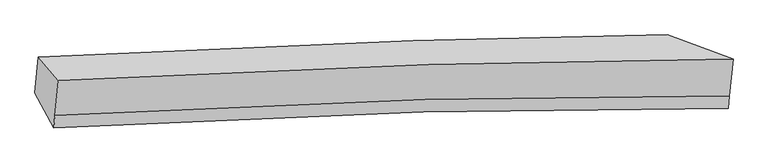
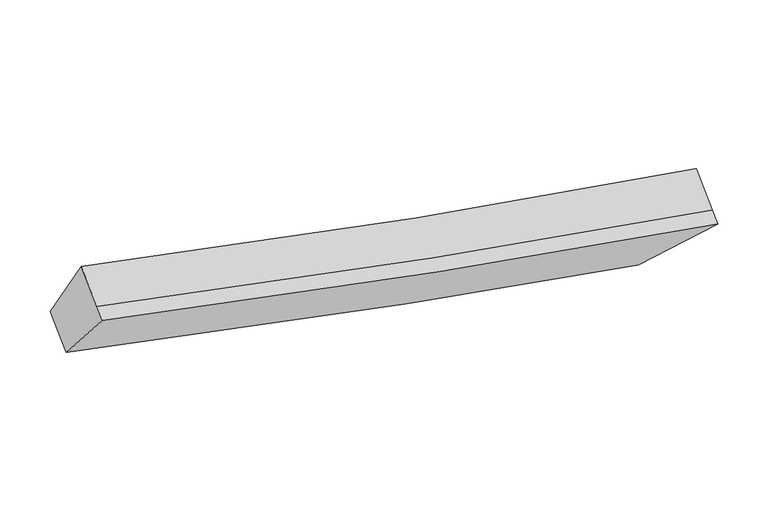
"""IFC4 building model written with IfcOpenShell, lengths in millimetres: proxy geometry."""

from ifc_helpers import new_model, si_unit, frame, origin, place, context, project, spatial, source, transform, mapped, element, save
from ifc_brep_helpers import plane_surface, spline_curve, spline_surface, advanced_brep


def generic_models_f45a90ea(model_context):
    return source(origin(), model_context, "Body", "AdvancedBrep", [
        advanced_brep(
        [(-3325.9579657, -1831.2785244, 3728.5335234), (-3111.5374767, -2085.7496046, 4361.7453653), (4150.0638627, -1856.6269424, 2879.6872294), (3439.4574136, -1593.5798147, 2303.4681288), (-3149.0400475, -2465.478392, 4116.3236782), (4111.0638553, -2251.5178845, 2624.4661231), (-3162.265921, -2599.3957424, 4029.7718466), (4097.8379818, -2385.4352349, 2537.9142916), (-3364.5126908, -2221.6608025, 3476.226402), (3399.6538492, -1996.607098, 2042.9884415)],
        [
            (0, 1),
            (1, 2, spline_curve(3, [(-3111.5374767, -2085.7496046, 4361.7453653), (-1851.740868183, -2010.011975802, 4032.156708254), (-525.28874139, -1952.643518217, 3730.190076763), (1923.61566636, -1884.087778306, 3247.92747727), (3017.697319171, -1865.082015593, 3055.87472986), (4150.0638627, -1856.6269424, 2879.6872294)], [4, 2, 4], [0.0, 13.380205980352342, 23.520684505160638])),
            (2, 3),
            (3, 0, spline_curve(3, [(3439.4574136, -1593.5798147, 2303.4681288), (2574.343435442, -1603.907646002, 2444.36685999), (1663.03625546, -1624.51011734, 2612.813750478), (-557.871203014, -1696.129103391, 3067.421266186), (-1901.702482912, -1754.759535281, 3373.996173531), (-3325.9579657, -1831.2785244, 3728.5335234)], [4, 2, 4], [0.0, 10.140478524808296, 23.520684505160638])),
            (1, 4),
            (4, 5, spline_curve(3, [(-3149.0400475, -2465.478392, 4116.3236782), (-1888.868772868, -2385.947116897, 3789.186884553), (-562.416645877, -2328.578659047, 3487.220253056), (1885.829146591, -2266.691662994, 3000.647592286), (2979.41165394, -2252.739951491, 2805.328372232), (4111.0638553, -2251.5178845, 2624.4661231)], [4, 2, 4], [0.0, 13.845115989143798, 24.33793662042197])),
            (5, 2),
            (4, 6),
            (6, 7, spline_curve(3, [(-3162.265921, -2599.3957424, 4029.7718466), (-1902.094646159, -2519.864467324, 3702.635052967), (-575.642519408, -2462.49600951, 3400.668421556), (1872.603273114, -2400.609013346, 2914.095760786), (2966.185780418, -2386.657301896, 2718.77654075), (4097.8379818, -2385.4352349, 2537.9142916)], [4, 2, 4], [0.0, 13.845143782369027, 24.337985477344127])),
            (7, 5),
            (6, 8),
            (8, 9, spline_curve(3, [(-3364.5126908, -2221.6608025, 3476.226402), (-1939.944742178, -2141.977970139, 3123.733868725), (-596.113462334, -2083.347538252, 2817.1589613), (1624.24472141, -2017.290182651, 2358.956920652), (2535.135621757, -2000.902712964, 2187.785841134), (3399.6538492, -1996.607098, 2042.9884415)], [4, 2, 4], [0.0, 13.3802199646615, 23.52070908778098])),
            (9, 7),
            (8, 0),
            (3, 9),
        ],
        [
            spline_surface(3, 3, [[(-3325.9579657, -1831.2785244, 3728.5335234), (-1901.702483028, -1754.759535431, 3373.996173468), (-557.871203179, -1696.129103435, 3067.421266033), (1663.036255585, -1624.510117307, 2612.813750594), (2574.343435501, -1603.907646066, 2444.366859844), (3439.4574136, -1593.5798147, 2303.4681288)], [(-3254.484469369, -1916.102217789, 3939.604137348), (-1885.048611345, -1839.843682214, 3593.383018352), (-547.01038252, -1781.6339083, 3288.344202914), (1749.896059118, -1711.036004357, 2824.518326127), (2722.128063402, -1690.965769202, 2648.202816578), (3676.326229965, -1681.262190595, 2495.541162343)], [(-3183.010973031, -2000.925911211, 4150.674751352), (-1868.394739655, -1924.927829031, 3812.76986329), (-536.149561842, -1867.13871316, 3509.267139877), (1836.755862669, -1797.561891402, 3036.222901741), (2869.912691308, -1778.023892353, 2852.038773282), (3913.195046335, -1768.944566505, 2687.614195857)], [(-3111.5374767, -2085.7496046, 4361.7453653), (-1851.740867972, -2010.011975813, 4032.156708174), (-525.288741182, -1952.643518025, 3730.190076757), (1923.615666202, -1884.087778451, 3247.927477274), (3017.697319209, -1865.08201549, 3055.874730016), (4150.0638627, -1856.6269424, 2879.6872294)]], [4, 4], [4, 2, 4], [0.0, 2.3340003477081437], [0.0, 13.380205980352342, 23.520684505160638]),
            spline_surface(3, 3, [[(-3111.5374767, -2085.7496046, 4361.7453653), (-1851.740867972, -2010.011975813, 4032.156708174), (-525.288741182, -1952.643518025, 3730.190076757), (1923.615666202, -1884.087778451, 3247.927477274), (3017.697319209, -1865.08201549, 3055.874730016), (4150.0638627, -1856.6269424, 2879.6872294)], [(-3124.038333625, -2212.325867097, 4279.938136263), (-1864.116836204, -2135.323689478, 3951.166766944), (-537.664709414, -2077.95523169, 3649.200135528), (1911.02015968, -2011.622406635, 3165.500848994), (3004.935430843, -1994.301327524, 2972.35927738), (4137.063860247, -1988.257256449, 2794.613527292)], [(-3136.539190575, -2338.902129503, 4198.130907237), (-1876.49280446, -2260.635403051, 3870.176825725), (-550.04067767, -2203.266945362, 3568.210194208), (1898.424653132, -2139.157034826, 3083.074220625), (2992.173542437, -2123.520639509, 2888.843824766), (4124.063857753, -2119.887570451, 2709.539825208)], [(-3149.0400475, -2465.478392, 4116.3236782), (-1888.868772692, -2385.947116716, 3789.186884495), (-562.416645902, -2328.578659027, 3487.220252978), (1885.829146609, -2266.691663009, 3000.647592345), (2979.411654071, -2252.739951543, 2805.32837213), (4111.0638553, -2251.5178845, 2624.4661231)]], [4, 4], [4, 2, 4], [0.0, 1.4837285148140915], [0.0, 13.845115989143798, 24.33793662042197]),
            spline_surface(3, 3, [[(-3149.0400475, -2465.478392, 4116.3236782), (-1888.868772692, -2385.947116716, 3789.186884495), (-562.416645902, -2328.578659027, 3487.220252978), (1885.829146609, -2266.691663009, 3000.647592345), (2979.411654071, -2252.739951543, 2805.32837213), (4111.0638553, -2251.5178845, 2624.4661231)], [(-3153.448672001, -2510.117508781, 4087.473067679), (-1893.277397193, -2430.586233497, 3760.336273974), (-566.825270403, -2373.217775808, 3458.369642457), (1881.420522108, -2311.33077979, 2971.796981824), (2975.00302957, -2297.379068324, 2776.477761609), (4106.655230799, -2296.157001281, 2595.615512579)], [(-3157.857296499, -2554.756625619, 4058.622457121), (-1897.686021691, -2475.225350335, 3731.485663416), (-571.2338949, -2417.856892646, 3429.519031999), (1877.011897611, -2355.969896627, 2942.946371366), (2970.594405073, -2342.018185161, 2747.627151151), (4102.246606301, -2340.796118119, 2566.764902121)], [(-3162.265921, -2599.3957424, 4029.7718466), (-1902.094646192, -2519.864467116, 3702.635052895), (-575.642519402, -2462.496009427, 3400.668421478), (1872.603273109, -2400.609013409, 2914.095760845), (2966.185780571, -2386.657301943, 2718.77654063), (4097.8379818, -2385.4352349, 2537.9142916)]], [4, 4], [4, 2, 4], [0.0, 0.5249343832020974], [0.0, 13.845143782369027, 24.337985477344127]),
            spline_surface(3, 3, [[(-3162.265921, -2599.3957424, 4029.7718466), (-1902.094646192, -2519.864467116, 3702.635052895), (-575.642519402, -2462.496009427, 3400.668421478), (1872.603273109, -2400.609013409, 2914.095760845), (2966.185780571, -2386.657301943, 2718.77654063), (4097.8379818, -2385.4352349, 2537.9142916)], [(-3229.681510938, -2473.484095771, 3845.256698384), (-1914.711344915, -2393.902301531, 3509.667991474), (-582.466167101, -2336.11318576, 3206.16526806), (1789.81708925, -2272.836069764, 2729.049480789), (2822.502394273, -2258.072438938, 2541.77964086), (3865.109937616, -2255.825855944, 2372.939008255)], [(-3297.097100862, -2347.572449129, 3660.741550216), (-1927.328043623, -2267.940135932, 3316.700930099), (-589.289814797, -2209.730362118, 3011.662114661), (1707.030905392, -2145.063126145, 2544.003200752), (2678.819007926, -2129.487575901, 2364.782741026), (3632.381893384, -2126.216476956, 2207.963724845)], [(-3364.5126908, -2221.6608025, 3476.226402), (-1939.944742345, -2141.977970347, 3123.733868678), (-596.113462496, -2083.347538451, 2817.158961243), (1624.244721533, -2017.2901825, 2358.956920695), (2535.135621627, -2000.902712896, 2187.785841257), (3399.6538492, -1996.607098, 2042.9884415)]], [4, 4], [4, 2, 4], [0.0, 2.2836070231096652], [0.0, 13.3802199646615, 23.52070908778098]),
            spline_surface(3, 3, [[(-3364.5126908, -2221.6608025, 3476.226402), (-1939.944742345, -2141.977970347, 3123.733868678), (-596.113462496, -2083.347538451, 2817.158961243), (1624.244721533, -2017.2901825, 2358.956920695), (2535.135621627, -2000.902712896, 2187.785841257), (3399.6538492, -1996.607098, 2042.9884415)], [(-3351.661115767, -2091.533376461, 3560.328775825), (-1927.197322573, -2012.905158703, 3207.154636966), (-583.366042724, -1954.274726807, 2900.579729531), (1637.175232884, -1886.36349413, 2443.57586402), (2548.204892892, -1868.571023949, 2273.31284745), (3412.921703973, -1862.26467023, 2129.815003931)], [(-3338.809540733, -1961.405950439, 3644.431149575), (-1914.449902801, -1883.832347075, 3290.57540518), (-570.618622952, -1825.201915079, 2984.000497745), (1650.105744234, -1755.436805677, 2528.194807269), (2561.274164237, -1736.239335013, 2358.839853651), (3426.189558827, -1727.92224247, 2216.641566369)], [(-3325.9579657, -1831.2785244, 3728.5335234), (-1901.702483028, -1754.759535431, 3373.996173468), (-557.871203179, -1696.129103435, 3067.421266033), (1663.036255585, -1624.510117307, 2612.813750594), (2574.343435501, -1603.907646066, 2444.366859844), (3439.4574136, -1593.5798147, 2303.4681288)]], [4, 4], [4, 2, 4], [0.0, 1.5262765517065975], [0.0, 12.915359678295069, 22.703544378160007]),
            plane_surface(frame((3771.7532768, -1958.0622725, 2441.0145228), z_axis=(0.6644477783413831, 0.35826654756738735, -0.6558614417324328), x_axis=(-0.742749077182828, 0.41364695411406044, -0.5265168617396956))),
            plane_surface(frame((-3241.0685136, -2184.5211685, 3899.0692843), z_axis=(-0.9537766976295246, -0.09092594933364442, 0.2864305898410542), x_axis=(-0.08266170940196674, -0.8369834396487776, -0.5409489472699303))),
        ],
        [
            (0, [[1, 2, 3, 4]]),
            (1, [[5, 6, 7, -2]]),
            (2, [[8, 9, 10, -6]]),
            (3, [[11, 12, 13, -9]]),
            (4, [[14, -4, 15, -12]]),
            (5, [[-13, -15, -3, -7, -10]]),
            (6, [[-14, -11, -8, -5, -1]]),
        ],
    ),
    ])


if __name__ == "__main__":
    model = new_model("IFC4")
    model_context = context("Model", 3, world=origin())
    ifc_project = project(units=[si_unit("LENGTHUNIT", "METRE", prefix="MILLI")], contexts=[model_context])
    site = spatial("IfcSite", under=ifc_project)
    building = spatial("IfcBuilding", under=site)
    placement = place(None, origin())
    generic_models_shape = generic_models_f45a90ea(model_context)
    element("IfcBuildingElementProxy", 1, Name="Generic Models", at=placement, inside=building, context=model_context, shape_type="MappedRepresentation", body=[
        mapped(generic_models_shape, transform((0.0, 0.0, 0.0), x_axis=(1.0, 0.0, 0.0), y_axis=(0.0, 1.0, 0.0), z_axis=(0.0, 0.0, 1.0))),
    ])
    save(model, "model.ifc")
